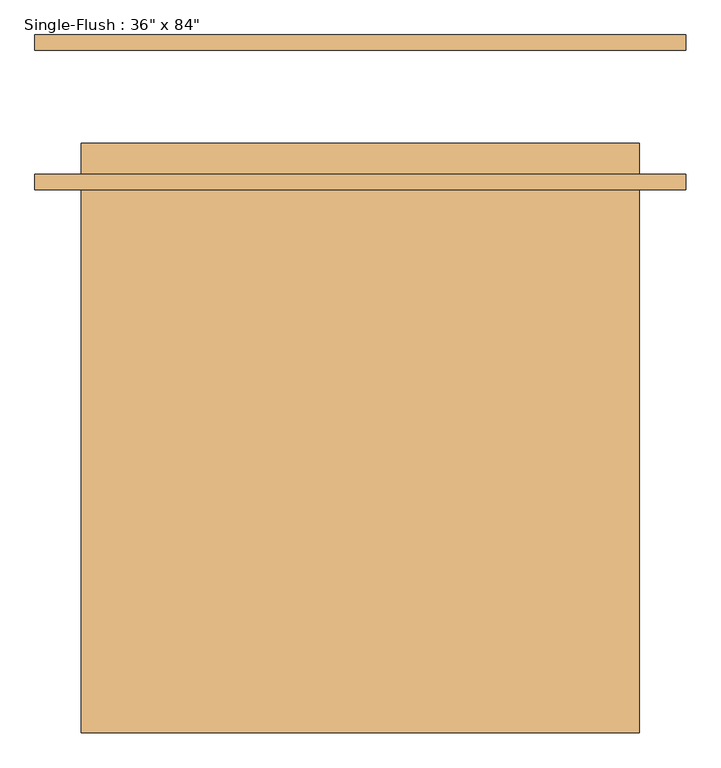
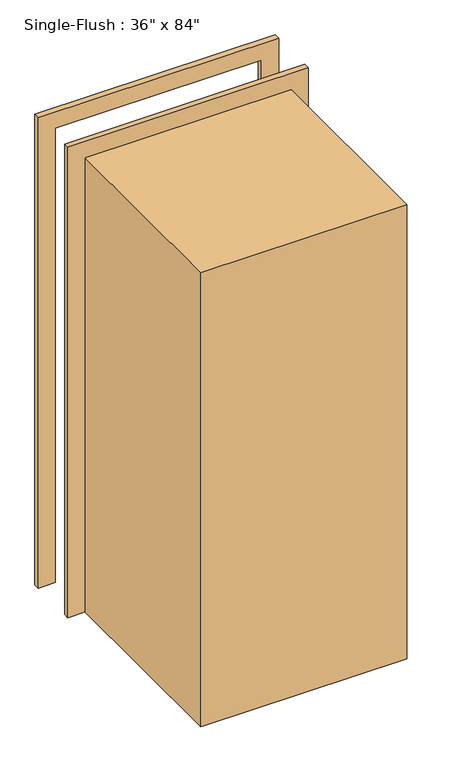
"""IFC4 building model written with IfcOpenShell, lengths in millimetres: door geometry."""

import ifcopenshell
import ifcopenshell.guid

model = None  # the IFC model being written
_history = None  # IfcOwnerHistory: only IFC2X3 demands one
_inside = {}  # id of a spatial element -> (the spatial element, [elements in it])
_under = {}  # id of a project, library or spatial element -> (it, [spatial elements below it])
_declared = {}  # id of a project -> (the project, [libraries it declares])
_typed = {}  # id of a type object -> (the type object, [elements of that type])
_made_of = {}  # id of a material, layer set ... -> (it, [elements and type objects made of it])


def new_model(schema):
    """Start an empty IFC model of exactly this schema.

    Asked for "IFC4X3", IfcOpenShell would pick the latest addendum, in which some entities
    have other attributes; the version numbers below select the first issue.
    IFC2X3 requires an IfcOwnerHistory on every rooted entity: one is made here for all.
    """
    global model, _history
    if schema == "IFC4X3":
        model = ifcopenshell.file(schema_version=(4, 3, 0, 0))
    else:
        model = ifcopenshell.file(schema=schema)
    _inside.clear()
    _under.clear()
    _declared.clear()
    _typed.clear()
    _made_of.clear()
    _history = None
    if model.schema == "IFC2X3":
        org = make("IfcOrganization", Name="unknown")
        user = make(
            "IfcPersonAndOrganization",
            ThePerson=make("IfcPerson", FamilyName="unknown"),
            TheOrganization=org,
        )
        app = make(
            "IfcApplication",
            ApplicationDeveloper=org,
            Version="unknown",
            ApplicationFullName="unknown",
            ApplicationIdentifier="unknown",
        )
        _history = make(
            "IfcOwnerHistory",
            OwningUser=user,
            OwningApplication=app,
            ChangeAction="ADDED",
            CreationDate=0,
        )
    return model


def make(cls, **values):
    """One entity of the class cls with the attributes given. An attribute that is None is left unset."""
    return model.create_entity(
        cls, **{name: value for name, value in values.items() if value is not None}
    )


def rooted(cls, **values):
    """An entity with a GlobalId (a new one), such as an element, a storey or a relation."""
    return make(cls, GlobalId=ifcopenshell.guid.new(), OwnerHistory=_history, **values)


def si_unit(unit_type, name, prefix=None):
    """IfcSIUnit, for example si_unit("LENGTHUNIT", "METRE", prefix="MILLI")."""
    return make("IfcSIUnit", UnitType=unit_type, Prefix=prefix, Name=name)


def assignment(units):
    """IfcUnitAssignment: the units of a project."""
    return None if units is None else make("IfcUnitAssignment", Units=units)


def point(xyz):
    """IfcCartesianPoint."""
    return None if xyz is None else make("IfcCartesianPoint", Coordinates=xyz)


def direction(xyz):
    """IfcDirection."""
    return None if xyz is None else make("IfcDirection", DirectionRatios=xyz)


def frame(location, z_axis=None, x_axis=None):
    """IfcAxis2Placement3D, a coordinate frame: its origin and axes. An axis left out is left unset."""
    return make(
        "IfcAxis2Placement3D",
        Location=point(location),
        Axis=direction(z_axis),
        RefDirection=direction(x_axis),
    )


def origin():
    """The frame at (0, 0, 0) with its axes left unset."""
    return frame((0.0, 0.0, 0.0))


def origin_with_axes():
    """The frame at (0, 0, 0) with the z axis (0, 0, 1) and the x axis (1, 0, 0) written out."""
    return frame((0.0, 0.0, 0.0), z_axis=(0.0, 0.0, 1.0), x_axis=(1.0, 0.0, 0.0))


def place(relative_to, where):
    """IfcLocalPlacement: puts the frame where relative to a parent placement (None: the world)."""
    return make(
        "IfcLocalPlacement", PlacementRelTo=relative_to, RelativePlacement=where
    )


def context(
    kind, dimensions, precision=None, world=None, true_north=None, identifier=None
):
    """IfcGeometricRepresentationContext, for example the 3D "Model" context."""
    return make(
        "IfcGeometricRepresentationContext",
        ContextIdentifier=identifier,
        ContextType=kind,
        CoordinateSpaceDimension=dimensions,
        Precision=precision,
        WorldCoordinateSystem=world,
        TrueNorth=true_north,
    )


def project(units=None, contexts=None):
    """IfcProject with its units and contexts."""
    return rooted(
        "IfcProject",
        Name="project",
        RepresentationContexts=contexts,
        UnitsInContext=assignment(units),
    )


def spatial(cls, under=None, at=None, **own):
    """A site, building, storey or space (cls), placed at a placement, below another one or the project."""
    s = rooted(cls, ObjectPlacement=at, **own)
    if under is not None:
        _under.setdefault(under.id(), (under, []))[1].append(s)
    return s


def polyline(points):
    """IfcPolyline through the points."""
    return make("IfcPolyline", Points=[point(p) for p in points])


def outline(outer, holes=None, kind="AREA"):
    """IfcArbitraryClosedProfileDef: a profile drawn as a closed curve; with holes, ...WithVoids."""
    if holes is None:
        return make("IfcArbitraryClosedProfileDef", ProfileType=kind, OuterCurve=outer)
    return make(
        "IfcArbitraryProfileDefWithVoids",
        ProfileType=kind,
        OuterCurve=outer,
        InnerCurves=holes,
    )


def extrude(swept, where, along, depth):
    """IfcExtrudedAreaSolid: the profile swept, set in the frame where, extruded along a direction by depth."""
    return make(
        "IfcExtrudedAreaSolid",
        SweptArea=swept,
        Position=where,
        ExtrudedDirection=direction(along),
        Depth=depth,
    )


def shape(context_of_items, identifier, shape_type, items):
    """IfcShapeRepresentation: the items that make up one representation, for example the "Body"."""
    return make(
        "IfcShapeRepresentation",
        ContextOfItems=context_of_items,
        RepresentationIdentifier=identifier,
        RepresentationType=shape_type,
        Items=items,
    )


def source(mapping_origin, context_of_items, identifier, shape_type, items):
    """IfcRepresentationMap: a shape defined once, which mapped items show again and again."""
    return make(
        "IfcRepresentationMap",
        MappingOrigin=mapping_origin,
        MappedRepresentation=shape(context_of_items, identifier, shape_type, items),
    )


def transform(
    local_origin,
    x_axis=None,
    y_axis=None,
    z_axis=None,
    scale=None,
    scale2=None,
    scale3=None,
    uniform=True,
):
    """IfcCartesianTransformationOperator3D, or its non-uniform kind. x_axis, y_axis, z_axis: its Axis1, 2, 3."""
    if uniform:
        return make(
            "IfcCartesianTransformationOperator3D",
            Axis1=direction(x_axis),
            Axis2=direction(y_axis),
            LocalOrigin=point(local_origin),
            Scale=scale,
            Axis3=direction(z_axis),
        )
    return make(
        "IfcCartesianTransformationOperator3DnonUniform",
        Axis1=direction(x_axis),
        Axis2=direction(y_axis),
        LocalOrigin=point(local_origin),
        Scale=scale,
        Axis3=direction(z_axis),
        Scale2=scale2,
        Scale3=scale3,
    )


def mapped(mapping_source, mapping_target):
    """IfcMappedItem: shows the shape of a source again, moved by a transform."""
    return make(
        "IfcMappedItem", MappingSource=mapping_source, MappingTarget=mapping_target
    )


def made_of(thing, what):
    """Note that an element or type object is made of a material, layer set ...; save() writes the relation."""
    if what is not None:
        _made_of.setdefault(what.id(), (what, []))[1].append(thing)
    return thing


def element(
    cls,
    number,
    at=None,
    inside=None,
    cuts=None,
    type_object=None,
    material=None,
    context=None,
    identifier="Body",
    shape_type=None,
    held_by="IfcProductDefinitionShape",
    body=None,
    shapes=None,
    **own,
):
    """One element of the class cls, such as IfcWall. Its Tag is "e" and its number.

    at: its placement. inside: the storey or other place that contains it. cuts: it is an
    opening in that element (IfcRelVoidsElement). A single representation is given by context,
    identifier, shape_type and body (its items); several are given by shapes. held_by: the class
    of the entity that holds the representations. save() writes the other relations.
    """
    e = rooted(cls, Tag="e%d" % number, ObjectPlacement=at, **own)
    if body is not None:
        shapes = [shape(context, identifier, shape_type, body)]
    if shapes is not None:
        e.Representation = make(held_by, Representations=shapes)
    if inside is not None:
        _inside.setdefault(inside.id(), (inside, []))[1].append(e)
    if cuts is not None:
        rooted(
            "IfcRelVoidsElement", RelatingBuildingElement=cuts, RelatedOpeningElement=e
        )
    if type_object is not None:
        _typed.setdefault(type_object.id(), (type_object, []))[1].append(e)
    return made_of(e, material)


def aggregate(whole, parts):
    """IfcRelAggregates: a whole, such as a stair, and the parts it consists of."""
    return rooted("IfcRelAggregates", RelatingObject=whole, RelatedObjects=parts)


def save(model, path):
    """Write the relations noted so far, then the file.

    IfcRelAggregates (storeys below a building ...), IfcRelContainedInSpatialStructure (elements
    in a storey), IfcRelDefinesByType, IfcRelAssociatesMaterial and IfcRelDeclares: one each for
    every whole, place, type object, material and project.
    """
    for whole, parts in _under.values():
        aggregate(whole, parts)
    for where, things in _inside.values():
        rooted(
            "IfcRelContainedInSpatialStructure",
            RelatedElements=things,
            RelatingStructure=where,
        )
    for kind, things in _typed.values():
        rooted("IfcRelDefinesByType", RelatedObjects=things, RelatingType=kind)
    for what, things in _made_of.values():
        rooted("IfcRelAssociatesMaterial", RelatedObjects=things, RelatingMaterial=what)
    for by, libraries in _declared.values():
        rooted("IfcRelDeclares", RelatingContext=by, RelatedDefinitions=libraries)
    model.write(path)


def door_1efa70a2(model_context):
    return source(origin(), model_context, "Body", "SweptSolid", [
        extrude(outline(polyline([(2209.8, -533.4), (0.0, -533.4), (0.0, -457.2), (2133.6, -457.2), (2133.6, 457.2), (0.0, 457.2), (0.0, 533.4), (2209.8, 533.4), (2209.8, -533.4)])), frame((0.0, -127.0, 0.0), z_axis=(0.0, 1.0, 0.0), x_axis=(0.0, 0.0, 1.0)), (0.0, 0.0, 1.0), 25.4),
        extrude(outline(polyline([(2209.8, 533.4), (2209.8, -533.4), (0.0, -533.4), (0.0, -457.2), (2133.6, -457.2), (2133.6, 457.2), (0.0, 457.2), (0.0, 533.4), (2209.8, 533.4)])), frame((0.0, 101.6, 0.0), z_axis=(0.0, 1.0, 0.0), x_axis=(0.0, 0.0, 1.0)), (0.0, 0.0, 1.0), 25.4),
        extrude(outline(polyline([(457.2, -50.8), (457.2, -101.6), (-457.2, -101.6), (-457.2, -50.8), (457.2, -50.8)])), origin_with_axes(), (0.0, 0.0, 1.0), 2133.6),
        extrude(outline(polyline([(457.2, -1016.2818659), (-457.2, -1016.2818659), (-457.2, -101.6), (457.2, -101.6), (457.2, -1016.2818659)])), origin_with_axes(), (0.0, 0.0, 1.0), 2133.6),
    ])


if __name__ == "__main__":
    model = new_model("IFC4")
    model_context = context("Model", 3, world=origin())
    ifc_project = project(units=[si_unit("LENGTHUNIT", "METRE", prefix="MILLI")], contexts=[model_context])
    site = spatial("IfcSite", under=ifc_project)
    building = spatial("IfcBuilding", under=site)
    placement = place(None, origin())
    door_shape = door_1efa70a2(model_context)
    element("IfcDoor", 1, ObjectType="Single-Flush : 36\" x 84\"", at=placement, inside=building, context=model_context, shape_type="MappedRepresentation", body=[
        mapped(door_shape, transform((0.0, 0.0, 0.0), x_axis=(1.0, 0.0, 0.0), y_axis=(0.0, 1.0, 0.0), z_axis=(0.0, 0.0, 1.0))),
    ])
    save(model, "model.ifc")
